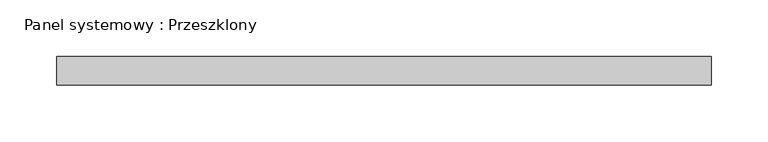
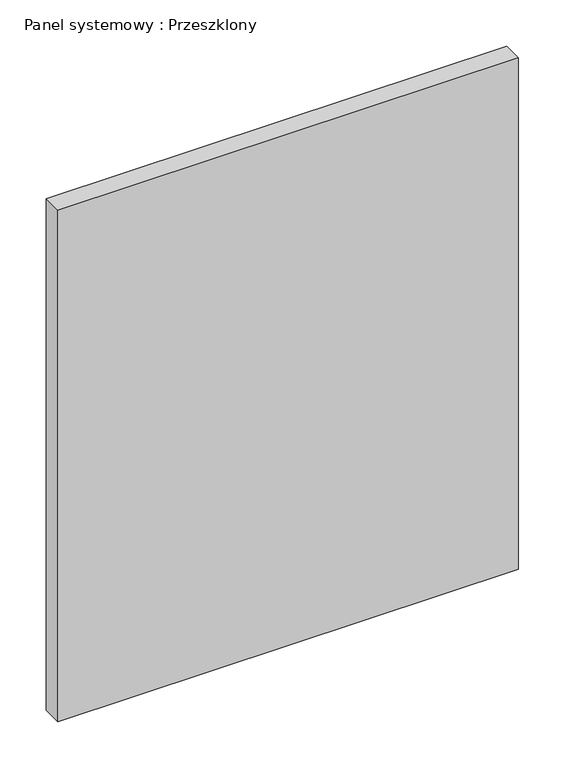
"""IFC4 building model written with IfcOpenShell, lengths in millimetres: plate geometry, Panel systemowy : Przeszklony."""

from ifc_helpers import new_model, si_unit, origin, origin_with_axes, place, context, project, spatial, polyline, outline, extrude, source, transform, mapped, element, save


def panel_systemowy_przeszklony_7e214c19(model_context):
    return source(origin(), model_context, "Body", "SweptSolid", [
        extrude(outline(polyline([(287.5, 24.5), (-287.5, 24.5), (-287.5, 49.5), (287.5, 49.5), (287.5, 24.5)])), origin_with_axes(), (0.0, 0.0, 1.0), 675.0),
    ])


if __name__ == "__main__":
    model = new_model("IFC4")
    model_context = context("Model", 3, world=origin())
    ifc_project = project(units=[si_unit("LENGTHUNIT", "METRE", prefix="MILLI")], contexts=[model_context])
    site = spatial("IfcSite", under=ifc_project)
    building = spatial("IfcBuilding", under=site)
    placement = place(None, origin())
    panel_systemowy_przeszklony_shape = panel_systemowy_przeszklony_7e214c19(model_context)
    element("IfcPlate", 1, ObjectType="Panel systemowy : Przeszklony", at=placement, inside=building, context=model_context, shape_type="MappedRepresentation", body=[
        mapped(panel_systemowy_przeszklony_shape, transform((0.0, 0.0, 0.0), x_axis=(1.0, 0.0, 0.0), y_axis=(0.0, 1.0, 0.0), z_axis=(0.0, 0.0, 1.0))),
    ])
    save(model, "model.ifc")
